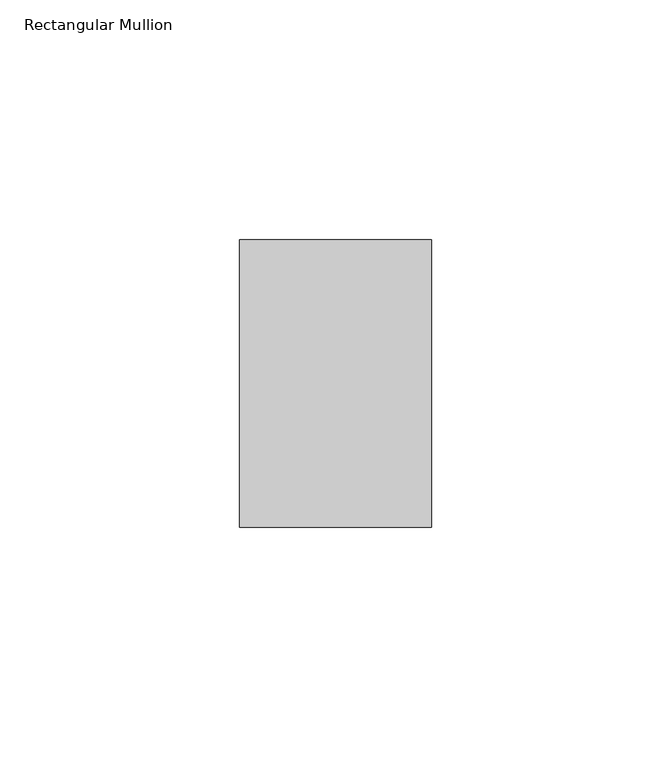
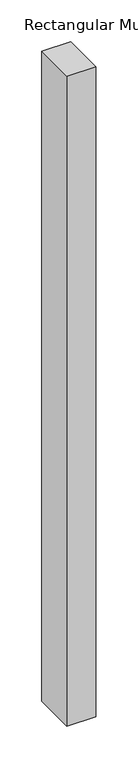
"""IFC4 building model written with IfcOpenShell, lengths in millimetres: member geometry, Rectangular Mullion."""

from ifc_helpers import new_model, si_unit, frame, origin, place, context, project, spatial, polyline, outline, extrude, source, transform, mapped, element, save


def rectangular_mullion_a36ccf3c(model_context):
    return source(origin(), model_context, "Body", "SweptSolid", [
        extrude(outline(polyline([(0.0, 65.0), (0.0, 5.0), (-40.0, 5.0), (-40.0, 65.0), (0.0, 65.0)])), frame((0.0, 0.0, -950.0), z_axis=(0.0, 0.0, 1.0), x_axis=(1.0, 0.0, 0.0)), (0.0, 0.0, 1.0), 950.0),
    ])


if __name__ == "__main__":
    model = new_model("IFC4")
    model_context = context("Model", 3, world=origin())
    ifc_project = project(units=[si_unit("LENGTHUNIT", "METRE", prefix="MILLI")], contexts=[model_context])
    site = spatial("IfcSite", under=ifc_project)
    building = spatial("IfcBuilding", under=site)
    placement = place(None, origin())
    rectangular_mullion_shape = rectangular_mullion_a36ccf3c(model_context)
    element("IfcMember", 1, ObjectType="Rectangular Mullion", at=placement, inside=building, context=model_context, shape_type="MappedRepresentation", body=[
        mapped(rectangular_mullion_shape, transform((0.0, 0.0, 0.0), x_axis=(1.0, 0.0, 0.0), y_axis=(0.0, 1.0, 0.0), z_axis=(0.0, 0.0, 1.0))),
    ])
    save(model, "model.ifc")
